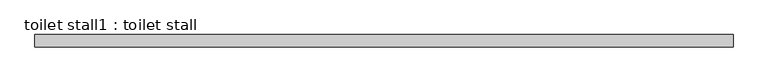
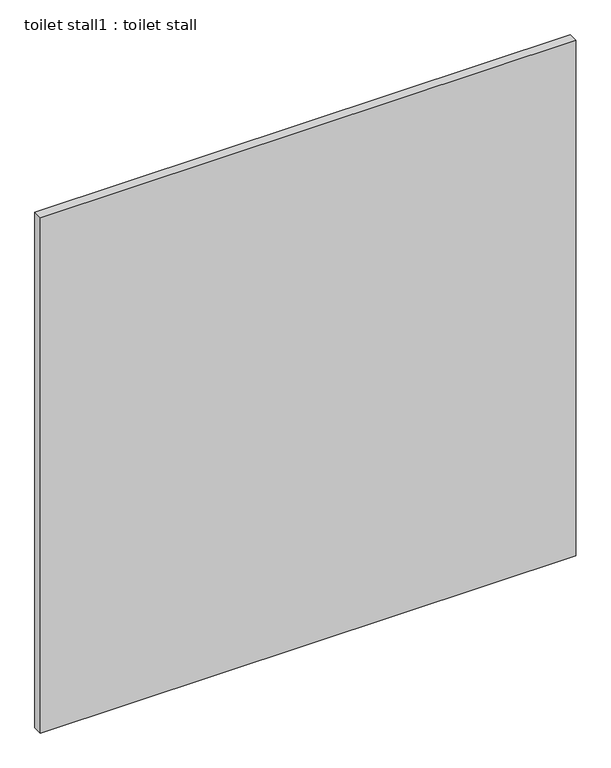
"""IFC4 building model written with IfcOpenShell, lengths in millimetres: proxy geometry, toilet stall1 : toilet stall."""

from ifc_helpers import new_model, si_unit, frame, origin, place, context, project, spatial, polyline, outline, extrude, source, transform, mapped, element, save


def toilet_stall1_toilet_stall_95a84a22(model_context):
    return source(origin(), model_context, "Body", "SweptSolid", [
        extrude(outline(polyline([(458233.2504676, -346007.5455223), (456785.4504676, -346007.5455223), (456785.4504676, -345982.1455223), (458233.2504676, -345982.1455223), (458233.2504676, -346007.5455223)])), frame((0.0, 0.0, 304.8), z_axis=(0.0, 0.0, 1.0), x_axis=(1.0, 0.0, 0.0)), (0.0, 0.0, 1.0), 1473.2),
    ])


if __name__ == "__main__":
    model = new_model("IFC4")
    model_context = context("Model", 3, world=origin())
    ifc_project = project(units=[si_unit("LENGTHUNIT", "METRE", prefix="MILLI")], contexts=[model_context])
    site = spatial("IfcSite", under=ifc_project)
    building = spatial("IfcBuilding", under=site)
    placement = place(None, origin())
    toilet_stall1_toilet_stall_shape = toilet_stall1_toilet_stall_95a84a22(model_context)
    element("IfcBuildingElementProxy", 1, Name="toilet stall1 : toilet stall", ObjectType="toilet stall1 : toilet stall", at=placement, inside=building, context=model_context, shape_type="MappedRepresentation", body=[
        mapped(toilet_stall1_toilet_stall_shape, transform((0.0, 0.0, 0.0), x_axis=(1.0, 0.0, 0.0), y_axis=(0.0, 1.0, 0.0), z_axis=(0.0, 0.0, 1.0))),
    ])
    save(model, "model.ifc")
